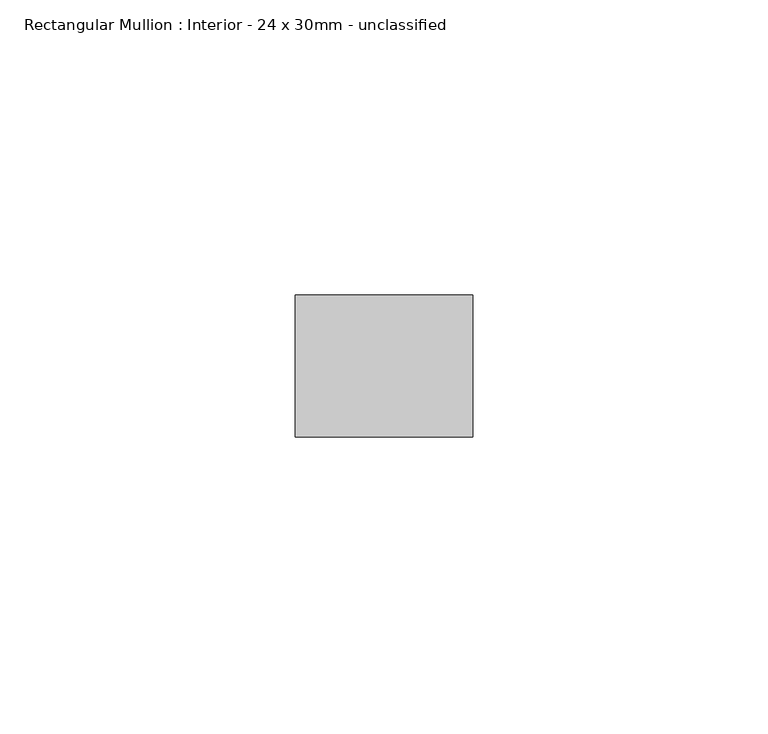
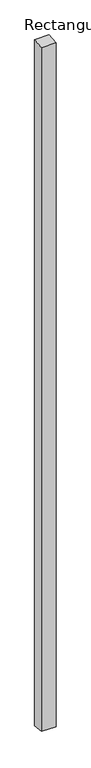
"""IFC4 building model written with IfcOpenShell, lengths in millimetres: member geometry, Rectangular Mullion : Interior - 24 x 30mm - unclassified."""

from ifc_helpers import new_model, si_unit, frame, origin, place, context, project, spatial, polyline, outline, extrude, source, transform, mapped, element, save


def rectangular_mullion_interior_24_x_30mm_unclassified_a042d39c(model_context):
    return source(origin(), model_context, "Body", "SweptSolid", [
        extrude(outline(polyline([(-12.0, -1.306243), (12.0, 1.306243), (12.0, -1501.2931582), (-12.0, -1498.7068418), (-12.0, -1.306243)])), frame((-30.0, 0.0, 0.0), z_axis=(1.0, 0.0, 0.0), x_axis=(0.0, 1.0, 0.0)), (0.0, 0.0, 1.0), 30.0),
    ])


if __name__ == "__main__":
    model = new_model("IFC4")
    model_context = context("Model", 3, world=origin())
    ifc_project = project(units=[si_unit("LENGTHUNIT", "METRE", prefix="MILLI")], contexts=[model_context])
    site = spatial("IfcSite", under=ifc_project)
    building = spatial("IfcBuilding", under=site)
    placement = place(None, origin())
    rectangular_mullion_interior_24_x_30mm_unclassified_shape = rectangular_mullion_interior_24_x_30mm_unclassified_a042d39c(model_context)
    element("IfcMember", 1, ObjectType="Rectangular Mullion : Interior - 24 x 30mm - unclassified", at=placement, inside=building, context=model_context, shape_type="MappedRepresentation", body=[
        mapped(rectangular_mullion_interior_24_x_30mm_unclassified_shape, transform((0.0, 0.0, 0.0), x_axis=(1.0, 0.0, 0.0), y_axis=(0.0, 1.0, 0.0), z_axis=(0.0, 0.0, 1.0))),
    ])
    save(model, "model.ifc")
